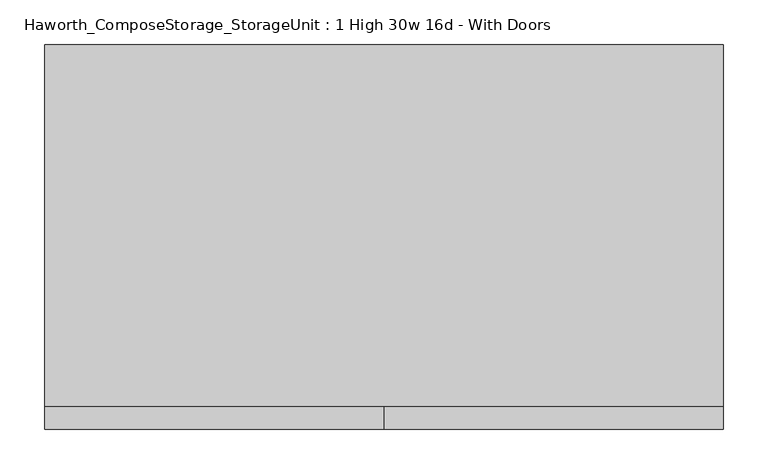
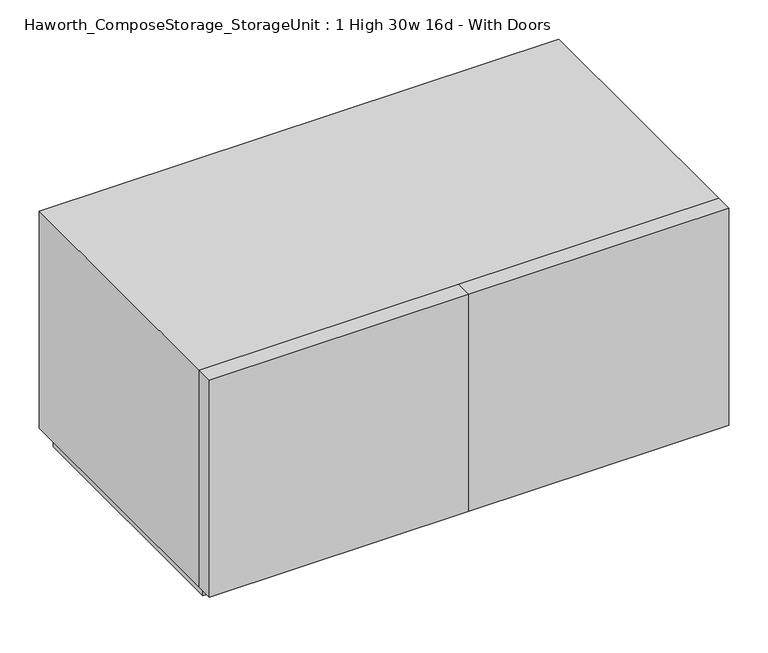
"""IFC4 building model written with IfcOpenShell, lengths in millimetres: furniture geometry, Haworth_ComposeStorage_StorageUnit : 1 High 30w 16d - With Doors."""

from ifc_helpers import new_model, si_unit, frame, origin, origin_with_axes, place, context, project, spatial, polyline, outline, extrude, source, transform, mapped, element, save


def haworth_composestorage_storageunit_1_high_30w_16d_with_doors_886ccb04(model_context):
    return source(origin(), model_context, "Body", "SweptSolid", [
        extrude(outline(polyline([(0.0138906, -177.8), (0.0138906, -152.4), (381.0138906, -152.4), (381.0138906, -177.8), (0.0138906, -177.8)])), frame((0.0, 0.0, 25.4), z_axis=(0.0, 0.0, 1.0), x_axis=(1.0, 0.0, 0.0)), (0.0, 0.0, 1.0), 336.55),
        extrude(outline(polyline([(0.0138906, -177.8), (-380.9861094, -177.8), (-380.9861094, -152.4), (0.0138906, -152.4), (0.0138906, -177.8)])), frame((0.0, 0.0, 25.4), z_axis=(0.0, 0.0, 1.0), x_axis=(1.0, 0.0, 0.0)), (0.0, 0.0, 1.0), 336.55),
        extrude(outline(polyline([(25.4, -380.9861094), (25.4, 381.0138906), (361.95, 381.0138906), (361.95, -380.9861094), (25.4, -380.9861094)]), holes=[polyline([(44.45, -361.9361094), (342.9, -361.9361094), (342.9, 361.9569453), (44.45, 361.9569453), (44.45, -361.9361094)])]), frame((0.0, -152.4, 0.0), z_axis=(0.0, 1.0, 0.0), x_axis=(0.0, 0.0, 1.0)), (0.0, 0.0, 1.0), 406.4),
        extrude(outline(polyline([(-361.9291641, 219.075), (-361.9291641, 228.6), (361.9569453, 228.6), (361.9569453, 219.075), (-361.9291641, 219.075)])), frame((0.0, 0.0, 44.45), z_axis=(0.0, 0.0, 1.0), x_axis=(1.0, 0.0, 0.0)), (0.0, 0.0, 1.0), 298.45),
        extrude(outline(polyline([(368.3138906, -139.7), (-368.2861094, -139.7), (-368.2861094, 241.3), (368.3138906, 241.3), (368.3138906, -139.7)])), origin_with_axes(), (0.0, 0.0, 1.0), 25.4),
    ])


if __name__ == "__main__":
    model = new_model("IFC4")
    model_context = context("Model", 3, world=origin())
    ifc_project = project(units=[si_unit("LENGTHUNIT", "METRE", prefix="MILLI")], contexts=[model_context])
    site = spatial("IfcSite", under=ifc_project)
    building = spatial("IfcBuilding", under=site)
    placement = place(None, origin())
    haworth_composestorage_storageunit_1_high_30w_16d_with_doors_shape = haworth_composestorage_storageunit_1_high_30w_16d_with_doors_886ccb04(model_context)
    element("IfcFurniture", 1, ObjectType="Haworth_ComposeStorage_StorageUnit : 1 High 30w 16d - With Doors", at=placement, inside=building, context=model_context, shape_type="MappedRepresentation", body=[
        mapped(haworth_composestorage_storageunit_1_high_30w_16d_with_doors_shape, transform((0.0, 0.0, 0.0), x_axis=(1.0, 0.0, 0.0), y_axis=(0.0, 1.0, 0.0), z_axis=(0.0, 0.0, 1.0))),
    ])
    save(model, "model.ifc")
